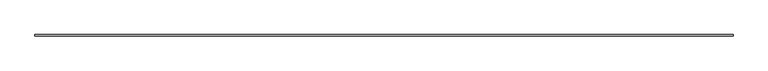
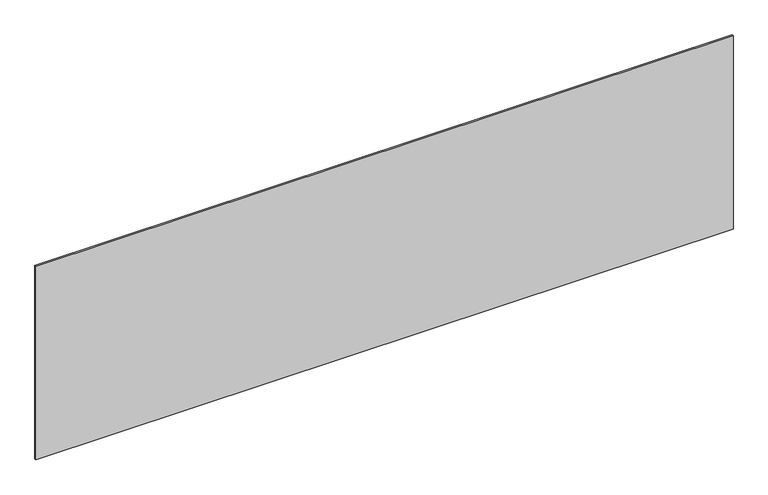
"""IFC4 building model written with IfcOpenShell, lengths in millimetres: plate geometry."""

from ifc_helpers import new_model, si_unit, origin, origin_with_axes, place, context, project, spatial, polyline, outline, extrude, source, transform, mapped, element, save


def plate_8c488b8c(model_context):
    return source(origin(), model_context, "Body", "SweptSolid", [
        extrude(outline(polyline([(2206.6666667, -5.0), (-2206.6666667, -5.0), (-2206.6666667, 5.0), (2206.6666667, 5.0), (2206.6666667, -5.0)])), origin_with_axes(), (0.0, 0.0, 1.0), 1294.4008047),
    ])


if __name__ == "__main__":
    model = new_model("IFC4")
    model_context = context("Model", 3, world=origin())
    ifc_project = project(units=[si_unit("LENGTHUNIT", "METRE", prefix="MILLI")], contexts=[model_context])
    site = spatial("IfcSite", under=ifc_project)
    building = spatial("IfcBuilding", under=site)
    placement = place(None, origin())
    plate_shape = plate_8c488b8c(model_context)
    element("IfcPlate", 1, at=placement, inside=building, context=model_context, shape_type="MappedRepresentation", body=[
        mapped(plate_shape, transform((0.0, 0.0, 0.0), x_axis=(1.0, 0.0, 0.0), y_axis=(0.0, 1.0, 0.0), z_axis=(0.0, 0.0, 1.0))),
    ])
    save(model, "model.ifc")
